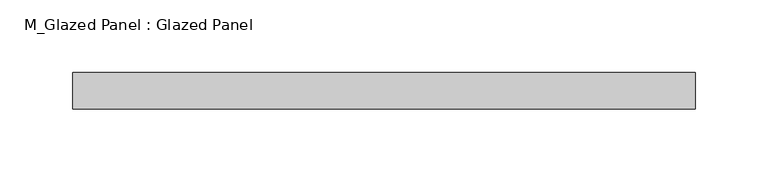
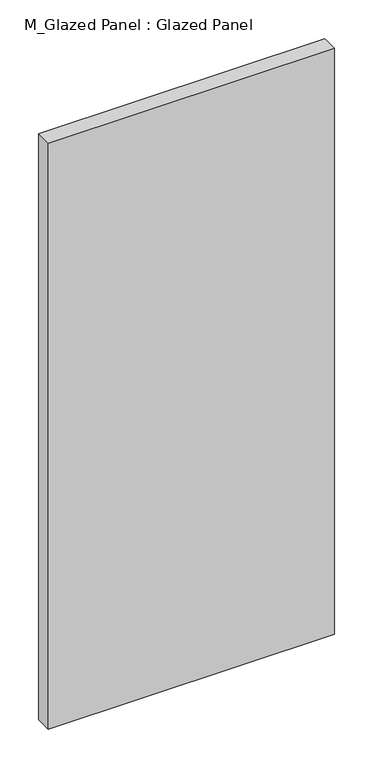
"""IFC4 building model written with IfcOpenShell, lengths in millimetres: plate geometry, M_Glazed Panel : Glazed Panel."""

from ifc_helpers import new_model, si_unit, origin, origin_with_axes, place, context, project, spatial, polyline, outline, extrude, source, transform, mapped, element, save


def m_glazed_panel_glazed_panel_ceaa059d(model_context):
    return source(origin(), model_context, "Body", "SweptSolid", [
        extrude(outline(polyline([(213.6967725, -38.5), (213.6967725, -63.5), (-213.6967725, -63.5), (-213.6967725, -38.5), (213.6967725, -38.5)])), origin_with_axes(), (0.0, 0.0, 1.0), 925.0),
    ])


if __name__ == "__main__":
    model = new_model("IFC4")
    model_context = context("Model", 3, world=origin())
    ifc_project = project(units=[si_unit("LENGTHUNIT", "METRE", prefix="MILLI")], contexts=[model_context])
    site = spatial("IfcSite", under=ifc_project)
    building = spatial("IfcBuilding", under=site)
    placement = place(None, origin())
    m_glazed_panel_glazed_panel_shape = m_glazed_panel_glazed_panel_ceaa059d(model_context)
    element("IfcPlate", 1, ObjectType="M_Glazed Panel : Glazed Panel", at=placement, inside=building, context=model_context, shape_type="MappedRepresentation", body=[
        mapped(m_glazed_panel_glazed_panel_shape, transform((0.0, 0.0, 0.0), x_axis=(1.0, 0.0, 0.0), y_axis=(0.0, 1.0, 0.0), z_axis=(0.0, 0.0, 1.0))),
    ])
    save(model, "model.ifc")
